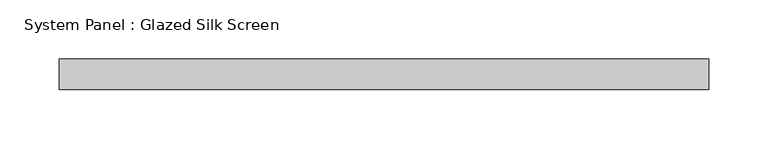
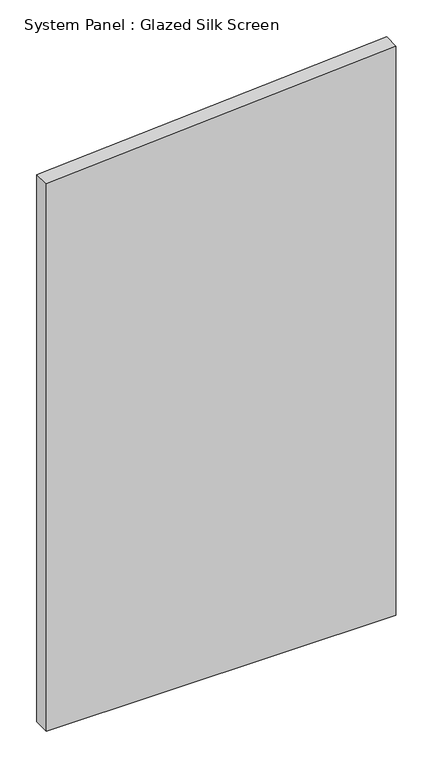
"""IFC4 building model written with IfcOpenShell, lengths in millimetres: plate geometry, System Panel : Glazed Silk Screen."""

from ifc_helpers import new_model, si_unit, frame, origin, place, context, project, spatial, polyline, outline, extrude, source, transform, mapped, element, save


def system_panel_glazed_silk_screen_2af3add0(model_context):
    return source(origin(), model_context, "Body", "SweptSolid", [
        extrude(outline(polyline([(0.0, -273.05), (0.0, 273.05), (939.5010124, 273.05), (903.35168, -273.05), (0.0, -273.05)])), frame((0.0, 19.05, 0.0), z_axis=(0.0, 1.0, 0.0), x_axis=(0.0, 0.0, 1.0)), (0.0, 0.0, 1.0), 25.4),
    ])


if __name__ == "__main__":
    model = new_model("IFC4")
    model_context = context("Model", 3, world=origin())
    ifc_project = project(units=[si_unit("LENGTHUNIT", "METRE", prefix="MILLI")], contexts=[model_context])
    site = spatial("IfcSite", under=ifc_project)
    building = spatial("IfcBuilding", under=site)
    placement = place(None, origin())
    system_panel_glazed_silk_screen_shape = system_panel_glazed_silk_screen_2af3add0(model_context)
    element("IfcPlate", 1, ObjectType="System Panel : Glazed Silk Screen", at=placement, inside=building, context=model_context, shape_type="MappedRepresentation", body=[
        mapped(system_panel_glazed_silk_screen_shape, transform((0.0, 0.0, 0.0), x_axis=(1.0, 0.0, 0.0), y_axis=(0.0, 1.0, 0.0), z_axis=(0.0, 0.0, 1.0))),
    ])
    save(model, "model.ifc")
